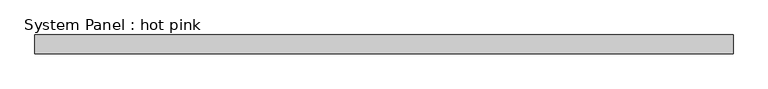
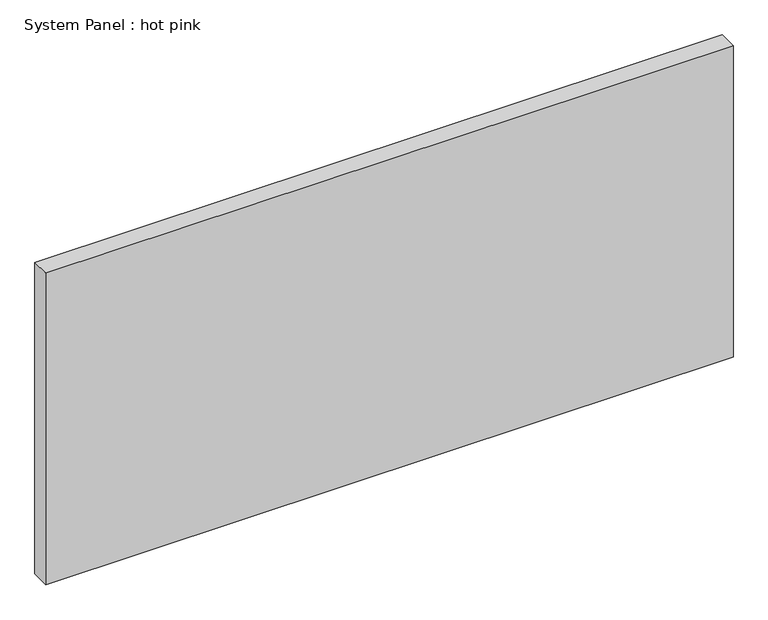
"""IFC4 building model written with IfcOpenShell, lengths in millimetres: plate geometry, System Panel : hot pink."""

from ifc_helpers import new_model, si_unit, origin, origin_with_axes, place, context, project, spatial, polyline, outline, extrude, source, transform, mapped, element, save


def system_panel_hot_pink_1cf6fac3(model_context):
    return source(origin(), model_context, "Body", "SweptSolid", [
        extrude(outline(polyline([(1171.575, -44.45), (-1171.575, -44.45), (-1171.575, 19.05), (1171.575, 19.05), (1171.575, -44.45)])), origin_with_axes(), (0.0, 0.0, 1.0), 1123.95),
    ])


if __name__ == "__main__":
    model = new_model("IFC4")
    model_context = context("Model", 3, world=origin())
    ifc_project = project(units=[si_unit("LENGTHUNIT", "METRE", prefix="MILLI")], contexts=[model_context])
    site = spatial("IfcSite", under=ifc_project)
    building = spatial("IfcBuilding", under=site)
    placement = place(None, origin())
    system_panel_hot_pink_shape = system_panel_hot_pink_1cf6fac3(model_context)
    element("IfcPlate", 1, ObjectType="System Panel : hot pink", at=placement, inside=building, context=model_context, shape_type="MappedRepresentation", body=[
        mapped(system_panel_hot_pink_shape, transform((0.0, 0.0, 0.0), x_axis=(1.0, 0.0, 0.0), y_axis=(0.0, 1.0, 0.0), z_axis=(0.0, 0.0, 1.0))),
    ])
    save(model, "model.ifc")
